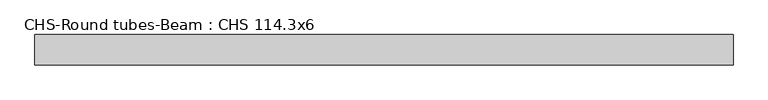
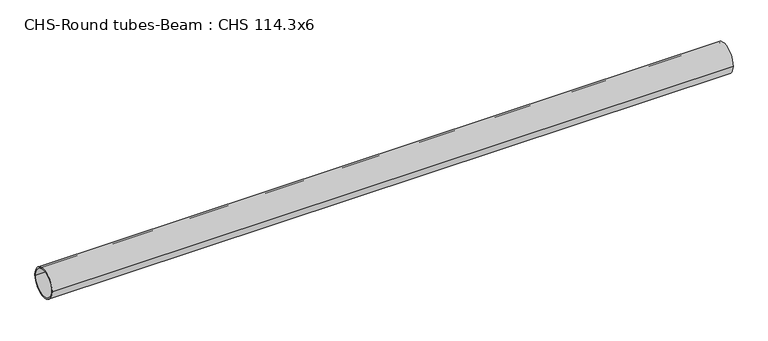
"""IFC4 building model written with IfcOpenShell, lengths in millimetres: beam geometry, CHS-Round tubes-Beam : CHS 114.3x6."""

import ifcopenshell
import ifcopenshell.guid

model = None  # the IFC model being written
_history = None  # IfcOwnerHistory: only IFC2X3 demands one
_inside = {}  # id of a spatial element -> (the spatial element, [elements in it])
_under = {}  # id of a project, library or spatial element -> (it, [spatial elements below it])
_declared = {}  # id of a project -> (the project, [libraries it declares])
_typed = {}  # id of a type object -> (the type object, [elements of that type])
_made_of = {}  # id of a material, layer set ... -> (it, [elements and type objects made of it])


def new_model(schema):
    """Start an empty IFC model of exactly this schema.

    Asked for "IFC4X3", IfcOpenShell would pick the latest addendum, in which some entities
    have other attributes; the version numbers below select the first issue.
    IFC2X3 requires an IfcOwnerHistory on every rooted entity: one is made here for all.
    """
    global model, _history
    if schema == "IFC4X3":
        model = ifcopenshell.file(schema_version=(4, 3, 0, 0))
    else:
        model = ifcopenshell.file(schema=schema)
    _inside.clear()
    _under.clear()
    _declared.clear()
    _typed.clear()
    _made_of.clear()
    _history = None
    if model.schema == "IFC2X3":
        org = make("IfcOrganization", Name="unknown")
        user = make(
            "IfcPersonAndOrganization",
            ThePerson=make("IfcPerson", FamilyName="unknown"),
            TheOrganization=org,
        )
        app = make(
            "IfcApplication",
            ApplicationDeveloper=org,
            Version="unknown",
            ApplicationFullName="unknown",
            ApplicationIdentifier="unknown",
        )
        _history = make(
            "IfcOwnerHistory",
            OwningUser=user,
            OwningApplication=app,
            ChangeAction="ADDED",
            CreationDate=0,
        )
    return model


def make(cls, **values):
    """One entity of the class cls with the attributes given. An attribute that is None is left unset."""
    return model.create_entity(
        cls, **{name: value for name, value in values.items() if value is not None}
    )


def rooted(cls, **values):
    """An entity with a GlobalId (a new one), such as an element, a storey or a relation."""
    return make(cls, GlobalId=ifcopenshell.guid.new(), OwnerHistory=_history, **values)


def si_unit(unit_type, name, prefix=None):
    """IfcSIUnit, for example si_unit("LENGTHUNIT", "METRE", prefix="MILLI")."""
    return make("IfcSIUnit", UnitType=unit_type, Prefix=prefix, Name=name)


def assignment(units):
    """IfcUnitAssignment: the units of a project."""
    return None if units is None else make("IfcUnitAssignment", Units=units)


def point(xyz):
    """IfcCartesianPoint."""
    return None if xyz is None else make("IfcCartesianPoint", Coordinates=xyz)


def direction(xyz):
    """IfcDirection."""
    return None if xyz is None else make("IfcDirection", DirectionRatios=xyz)


def frame(location, z_axis=None, x_axis=None):
    """IfcAxis2Placement3D, a coordinate frame: its origin and axes. An axis left out is left unset."""
    return make(
        "IfcAxis2Placement3D",
        Location=point(location),
        Axis=direction(z_axis),
        RefDirection=direction(x_axis),
    )


def frame_2d(location, x_axis=None):
    """IfcAxis2Placement2D, a coordinate frame in the plane: its origin and x axis."""
    return make(
        "IfcAxis2Placement2D", Location=point(location), RefDirection=direction(x_axis)
    )


def origin():
    """The frame at (0, 0, 0) with its axes left unset."""
    return frame((0.0, 0.0, 0.0))


def origin_2d():
    """The frame at (0, 0) in the plane with its x axis left unset."""
    return frame_2d((0.0, 0.0))


def place(relative_to, where):
    """IfcLocalPlacement: puts the frame where relative to a parent placement (None: the world)."""
    return make(
        "IfcLocalPlacement", PlacementRelTo=relative_to, RelativePlacement=where
    )


def context(
    kind, dimensions, precision=None, world=None, true_north=None, identifier=None
):
    """IfcGeometricRepresentationContext, for example the 3D "Model" context."""
    return make(
        "IfcGeometricRepresentationContext",
        ContextIdentifier=identifier,
        ContextType=kind,
        CoordinateSpaceDimension=dimensions,
        Precision=precision,
        WorldCoordinateSystem=world,
        TrueNorth=true_north,
    )


def project(units=None, contexts=None):
    """IfcProject with its units and contexts."""
    return rooted(
        "IfcProject",
        Name="project",
        RepresentationContexts=contexts,
        UnitsInContext=assignment(units),
    )


def spatial(cls, under=None, at=None, **own):
    """A site, building, storey or space (cls), placed at a placement, below another one or the project."""
    s = rooted(cls, ObjectPlacement=at, **own)
    if under is not None:
        _under.setdefault(under.id(), (under, []))[1].append(s)
    return s


def circle_curve(where, radius):
    """IfcCircle in the frame where."""
    return make("IfcCircle", Position=where, Radius=radius)


def trimmed(basis, trim1, trim2, sense, master):
    """IfcTrimmedCurve: the piece of a basis curve between two trims."""
    return make(
        "IfcTrimmedCurve",
        BasisCurve=basis,
        Trim1=trim1,
        Trim2=trim2,
        SenseAgreement=sense,
        MasterRepresentation=master,
    )


def segment(curve, same_sense, transition):
    """IfcCompositeCurveSegment."""
    return make(
        "IfcCompositeCurveSegment",
        Transition=transition,
        SameSense=same_sense,
        ParentCurve=curve,
    )


def composite_curve(segments, self_intersect=None):
    """IfcCompositeCurve: segments joined end to end."""
    return make("IfcCompositeCurve", Segments=segments, SelfIntersect=self_intersect)


def outline(outer, holes=None, kind="AREA"):
    """IfcArbitraryClosedProfileDef: a profile drawn as a closed curve; with holes, ...WithVoids."""
    if holes is None:
        return make("IfcArbitraryClosedProfileDef", ProfileType=kind, OuterCurve=outer)
    return make(
        "IfcArbitraryProfileDefWithVoids",
        ProfileType=kind,
        OuterCurve=outer,
        InnerCurves=holes,
    )


def extrude(swept, where, along, depth):
    """IfcExtrudedAreaSolid: the profile swept, set in the frame where, extruded along a direction by depth."""
    return make(
        "IfcExtrudedAreaSolid",
        SweptArea=swept,
        Position=where,
        ExtrudedDirection=direction(along),
        Depth=depth,
    )


def shape(context_of_items, identifier, shape_type, items):
    """IfcShapeRepresentation: the items that make up one representation, for example the "Body"."""
    return make(
        "IfcShapeRepresentation",
        ContextOfItems=context_of_items,
        RepresentationIdentifier=identifier,
        RepresentationType=shape_type,
        Items=items,
    )


def source(mapping_origin, context_of_items, identifier, shape_type, items):
    """IfcRepresentationMap: a shape defined once, which mapped items show again and again."""
    return make(
        "IfcRepresentationMap",
        MappingOrigin=mapping_origin,
        MappedRepresentation=shape(context_of_items, identifier, shape_type, items),
    )


def transform(
    local_origin,
    x_axis=None,
    y_axis=None,
    z_axis=None,
    scale=None,
    scale2=None,
    scale3=None,
    uniform=True,
):
    """IfcCartesianTransformationOperator3D, or its non-uniform kind. x_axis, y_axis, z_axis: its Axis1, 2, 3."""
    if uniform:
        return make(
            "IfcCartesianTransformationOperator3D",
            Axis1=direction(x_axis),
            Axis2=direction(y_axis),
            LocalOrigin=point(local_origin),
            Scale=scale,
            Axis3=direction(z_axis),
        )
    return make(
        "IfcCartesianTransformationOperator3DnonUniform",
        Axis1=direction(x_axis),
        Axis2=direction(y_axis),
        LocalOrigin=point(local_origin),
        Scale=scale,
        Axis3=direction(z_axis),
        Scale2=scale2,
        Scale3=scale3,
    )


def mapped(mapping_source, mapping_target):
    """IfcMappedItem: shows the shape of a source again, moved by a transform."""
    return make(
        "IfcMappedItem", MappingSource=mapping_source, MappingTarget=mapping_target
    )


def made_of(thing, what):
    """Note that an element or type object is made of a material, layer set ...; save() writes the relation."""
    if what is not None:
        _made_of.setdefault(what.id(), (what, []))[1].append(thing)
    return thing


def element(
    cls,
    number,
    at=None,
    inside=None,
    cuts=None,
    type_object=None,
    material=None,
    context=None,
    identifier="Body",
    shape_type=None,
    held_by="IfcProductDefinitionShape",
    body=None,
    shapes=None,
    **own,
):
    """One element of the class cls, such as IfcWall. Its Tag is "e" and its number.

    at: its placement. inside: the storey or other place that contains it. cuts: it is an
    opening in that element (IfcRelVoidsElement). A single representation is given by context,
    identifier, shape_type and body (its items); several are given by shapes. held_by: the class
    of the entity that holds the representations. save() writes the other relations.
    """
    e = rooted(cls, Tag="e%d" % number, ObjectPlacement=at, **own)
    if body is not None:
        shapes = [shape(context, identifier, shape_type, body)]
    if shapes is not None:
        e.Representation = make(held_by, Representations=shapes)
    if inside is not None:
        _inside.setdefault(inside.id(), (inside, []))[1].append(e)
    if cuts is not None:
        rooted(
            "IfcRelVoidsElement", RelatingBuildingElement=cuts, RelatedOpeningElement=e
        )
    if type_object is not None:
        _typed.setdefault(type_object.id(), (type_object, []))[1].append(e)
    return made_of(e, material)


def aggregate(whole, parts):
    """IfcRelAggregates: a whole, such as a stair, and the parts it consists of."""
    return rooted("IfcRelAggregates", RelatingObject=whole, RelatedObjects=parts)


def save(model, path):
    """Write the relations noted so far, then the file.

    IfcRelAggregates (storeys below a building ...), IfcRelContainedInSpatialStructure (elements
    in a storey), IfcRelDefinesByType, IfcRelAssociatesMaterial and IfcRelDeclares: one each for
    every whole, place, type object, material and project.
    """
    for whole, parts in _under.values():
        aggregate(whole, parts)
    for where, things in _inside.values():
        rooted(
            "IfcRelContainedInSpatialStructure",
            RelatedElements=things,
            RelatingStructure=where,
        )
    for kind, things in _typed.values():
        rooted("IfcRelDefinesByType", RelatedObjects=things, RelatingType=kind)
    for what, things in _made_of.values():
        rooted("IfcRelAssociatesMaterial", RelatedObjects=things, RelatingMaterial=what)
    for by, libraries in _declared.values():
        rooted("IfcRelDeclares", RelatingContext=by, RelatedDefinitions=libraries)
    model.write(path)


def chs_round_tubes_beam_chs_114_3x6_e3d77a70(model_context):
    return source(origin(), model_context, "Body", "SweptSolid", [
        extrude(outline(composite_curve([segment(trimmed(circle_curve(origin_2d(), 57.15), [point((57.15, 0.0))], [point((-57.15, 0.0))], False, "CARTESIAN"), True, "CONTINUOUS"), segment(trimmed(circle_curve(origin_2d(), 57.15), [point((-57.15, 0.0))], [point((57.15, 0.0))], False, "CARTESIAN"), True, "CONTINUOUS")], self_intersect=False), holes=[composite_curve([segment(trimmed(circle_curve(origin_2d(), 51.15), [point((51.15, 0.0))], [point((-51.15, 0.0))], True, "CARTESIAN"), True, "CONTINUOUS"), segment(trimmed(circle_curve(origin_2d(), 51.15), [point((-51.15, 0.0))], [point((51.15, 0.0))], True, "CARTESIAN"), True, "CONTINUOUS")], self_intersect=False)]), frame((-1305.9892787, 0.0, 0.0), z_axis=(1.0, 0.0, 0.0), x_axis=(0.0, 1.0, 0.0)), (0.0, 0.0, 1.0), 2617.9292646),
    ])


if __name__ == "__main__":
    model = new_model("IFC4")
    model_context = context("Model", 3, world=origin())
    ifc_project = project(units=[si_unit("LENGTHUNIT", "METRE", prefix="MILLI")], contexts=[model_context])
    site = spatial("IfcSite", under=ifc_project)
    building = spatial("IfcBuilding", under=site)
    placement = place(None, origin())
    chs_round_tubes_beam_chs_114_3x6_shape = chs_round_tubes_beam_chs_114_3x6_e3d77a70(model_context)
    element("IfcBeam", 1, ObjectType="CHS-Round tubes-Beam : CHS 114.3x6", at=placement, inside=building, context=model_context, shape_type="MappedRepresentation", body=[
        mapped(chs_round_tubes_beam_chs_114_3x6_shape, transform((0.0, 0.0, 0.0), x_axis=(1.0, 0.0, 0.0), y_axis=(0.0, 1.0, 0.0), z_axis=(0.0, 0.0, 1.0))),
    ])
    save(model, "model.ifc")
